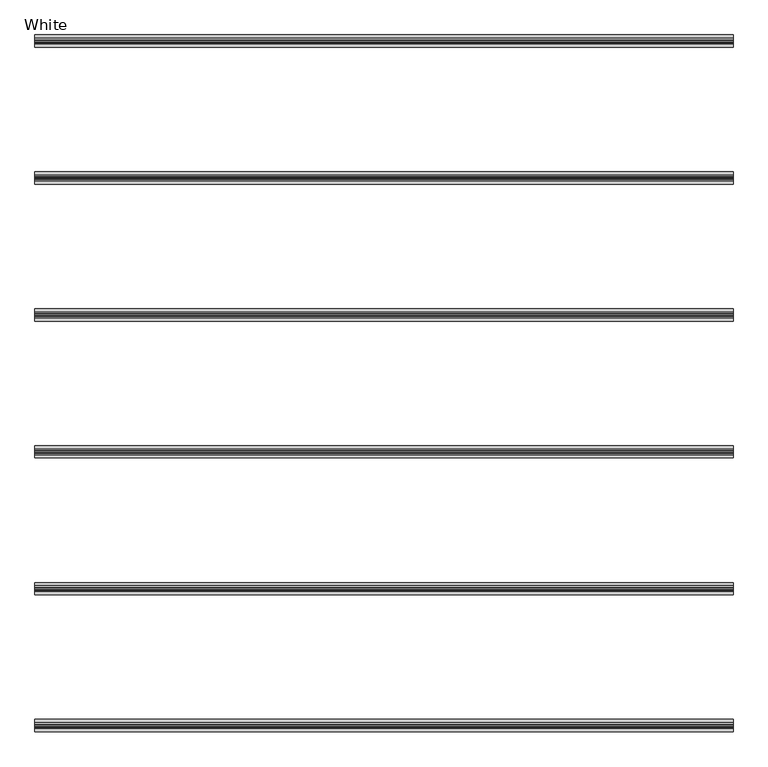
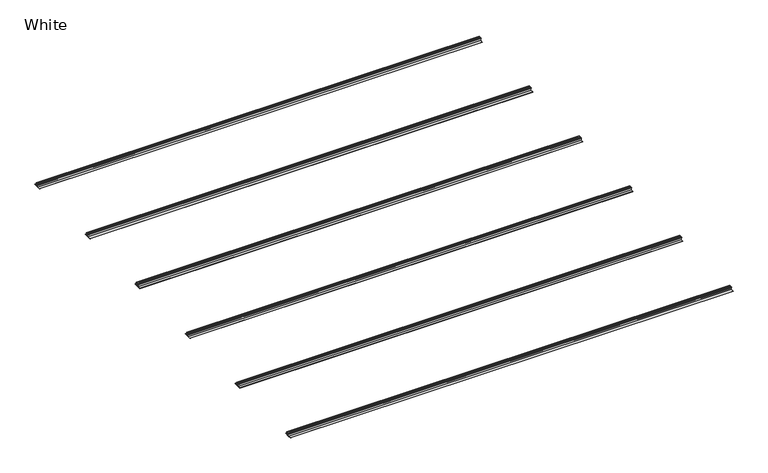
"""IFC4 building model written with IfcOpenShell, lengths in millimetres: proxy geometry, White."""

from ifc_helpers import new_model, si_unit, point, frame, frame_2d, origin, place, context, project, spatial, polyline, circle_curve, trimmed, segment, composite_curve, outline, extrude, source, transform, mapped, element, save


def white_f07cfdff(model_context):
    return source(origin(), model_context, "Body", "SweptSolid", [
        extrude(outline(composite_curve([segment(polyline([(1095.0, 0.0), (1050.0, 0.0), (1050.0, 1.0), (1066.5, 1.0), (1066.5, 16.0), (1062.5, 16.0), (1062.5, 17.0), (1067.0, 17.0)]), True, "CONTINUOUS"), segment(trimmed(circle_curve(frame_2d((1067.0, 15.0)), 2.0), [point((1067.0, 17.0))], [point((1069.0, 15.0))], False, "CARTESIAN"), True, "CONTINUOUS"), segment(polyline([(1069.0, 15.0), (1067.5, 15.0), (1067.5, 9.0), (1077.5, 9.0), (1077.5, 15.0), (1075.9750888, 15.0)]), True, "CONTINUOUS"), segment(trimmed(circle_curve(frame_2d((1077.9750888, 15.0)), 2.0), [point((1075.9750888, 15.0))], [point((1077.9750888, 17.0))], False, "CARTESIAN"), True, "CONTINUOUS"), segment(polyline([(1077.9750888, 17.0), (1082.5, 17.0), (1082.5, 16.0), (1078.5, 16.0), (1078.5, 1.0), (1095.0, 1.0), (1095.0, 0.0)]), True, "CONTINUOUS")], self_intersect=False), holes=[polyline([(1077.5, 8.0), (1067.5, 8.0), (1067.5, 1.0), (1077.5, 1.0), (1077.5, 8.0)])]), frame((-1275.0, 0.0, 0.0), z_axis=(1.0, 0.0, 0.0), x_axis=(0.0, 1.0, 0.0)), (0.0, 0.0, 1.0), 2550.0),
        extrude(outline(composite_curve([segment(polyline([(595.0, 0.0), (550.0, 0.0), (550.0, 1.0), (566.5, 1.0), (566.5, 16.0), (562.5, 16.0), (562.5, 17.0), (567.0, 17.0)]), True, "CONTINUOUS"), segment(trimmed(circle_curve(frame_2d((567.0, 15.0)), 2.0), [point((567.0, 17.0))], [point((569.0, 15.0))], False, "CARTESIAN"), True, "CONTINUOUS"), segment(polyline([(569.0, 15.0), (567.5, 15.0), (567.5, 9.0), (577.5, 9.0), (577.5, 15.0), (575.9750888, 15.0)]), True, "CONTINUOUS"), segment(trimmed(circle_curve(frame_2d((577.9750888, 15.0)), 2.0), [point((575.9750888, 15.0))], [point((577.9750888, 17.0))], False, "CARTESIAN"), True, "CONTINUOUS"), segment(polyline([(577.9750888, 17.0), (582.5, 17.0), (582.5, 16.0), (578.5, 16.0), (578.5, 1.0), (595.0, 1.0), (595.0, 0.0)]), True, "CONTINUOUS")], self_intersect=False), holes=[polyline([(577.5, 8.0), (567.5, 8.0), (567.5, 1.0), (577.5, 1.0), (577.5, 8.0)])]), frame((-1275.0, 0.0, 0.0), z_axis=(1.0, 0.0, 0.0), x_axis=(0.0, 1.0, 0.0)), (0.0, 0.0, 1.0), 2550.0),
        extrude(outline(composite_curve([segment(polyline([(95.0, 0.0), (50.0, 0.0), (50.0, 1.0), (66.5, 1.0), (66.5, 16.0), (62.5, 16.0), (62.5, 17.0), (67.0, 17.0)]), True, "CONTINUOUS"), segment(trimmed(circle_curve(frame_2d((67.0, 15.0)), 2.0), [point((67.0, 17.0))], [point((69.0, 15.0))], False, "CARTESIAN"), True, "CONTINUOUS"), segment(polyline([(69.0, 15.0), (67.5, 15.0), (67.5, 9.0), (77.5, 9.0), (77.5, 15.0), (75.9750888, 15.0)]), True, "CONTINUOUS"), segment(trimmed(circle_curve(frame_2d((77.9750888, 15.0)), 2.0), [point((75.9750888, 15.0))], [point((77.9750888, 17.0))], False, "CARTESIAN"), True, "CONTINUOUS"), segment(polyline([(77.9750888, 17.0), (82.5, 17.0), (82.5, 16.0), (78.5, 16.0), (78.5, 1.0), (95.0, 1.0), (95.0, 0.0)]), True, "CONTINUOUS")], self_intersect=False), holes=[polyline([(77.5, 8.0), (67.5, 8.0), (67.5, 1.0), (77.5, 1.0), (77.5, 8.0)])]), frame((-1275.0, 0.0, 0.0), z_axis=(1.0, 0.0, 0.0), x_axis=(0.0, 1.0, 0.0)), (0.0, 0.0, 1.0), 2550.0),
        extrude(outline(composite_curve([segment(polyline([(-405.0, 0.0), (-450.0, 0.0), (-450.0, 1.0), (-433.5, 1.0), (-433.5, 16.0), (-437.5, 16.0), (-437.5, 17.0), (-433.0, 17.0)]), True, "CONTINUOUS"), segment(trimmed(circle_curve(frame_2d((-433.0, 15.0)), 2.0), [point((-433.0, 17.0))], [point((-431.0, 15.0))], False, "CARTESIAN"), True, "CONTINUOUS"), segment(polyline([(-431.0, 15.0), (-432.5, 15.0), (-432.5, 9.0), (-422.5, 9.0), (-422.5, 15.0), (-424.0249112, 15.0)]), True, "CONTINUOUS"), segment(trimmed(circle_curve(frame_2d((-422.0249112, 15.0)), 2.0), [point((-424.0249112, 15.0))], [point((-422.0249112, 17.0))], False, "CARTESIAN"), True, "CONTINUOUS"), segment(polyline([(-422.0249112, 17.0), (-417.5, 17.0), (-417.5, 16.0), (-421.5, 16.0), (-421.5, 1.0), (-405.0, 1.0), (-405.0, 0.0)]), True, "CONTINUOUS")], self_intersect=False), holes=[polyline([(-422.5, 8.0), (-432.5, 8.0), (-432.5, 1.0), (-422.5, 1.0), (-422.5, 8.0)])]), frame((-1275.0, 0.0, 0.0), z_axis=(1.0, 0.0, 0.0), x_axis=(0.0, 1.0, 0.0)), (0.0, 0.0, 1.0), 2550.0),
        extrude(outline(composite_curve([segment(polyline([(-905.0, 0.0), (-950.0, 0.0), (-950.0, 1.0), (-933.5, 1.0), (-933.5, 16.0), (-937.5, 16.0), (-937.5, 17.0), (-933.0, 17.0)]), True, "CONTINUOUS"), segment(trimmed(circle_curve(frame_2d((-933.0, 15.0)), 2.0), [point((-933.0, 17.0))], [point((-931.0, 15.0))], False, "CARTESIAN"), True, "CONTINUOUS"), segment(polyline([(-931.0, 15.0), (-932.5, 15.0), (-932.5, 9.0), (-922.5, 9.0), (-922.5, 15.0), (-924.0249112, 15.0)]), True, "CONTINUOUS"), segment(trimmed(circle_curve(frame_2d((-922.0249112, 15.0)), 2.0), [point((-924.0249112, 15.0))], [point((-922.0249112, 17.0))], False, "CARTESIAN"), True, "CONTINUOUS"), segment(polyline([(-922.0249112, 17.0), (-917.5, 17.0), (-917.5, 16.0), (-921.5, 16.0), (-921.5, 1.0), (-905.0, 1.0), (-905.0, 0.0)]), True, "CONTINUOUS")], self_intersect=False), holes=[polyline([(-922.5, 8.0), (-932.5, 8.0), (-932.5, 1.0), (-922.5, 1.0), (-922.5, 8.0)])]), frame((-1275.0, 0.0, 0.0), z_axis=(1.0, 0.0, 0.0), x_axis=(0.0, 1.0, 0.0)), (0.0, 0.0, 1.0), 2550.0),
        extrude(outline(composite_curve([segment(polyline([(-1405.0, 0.0), (-1450.0, 0.0), (-1450.0, 1.0), (-1433.5, 1.0), (-1433.5, 16.0), (-1437.5, 16.0), (-1437.5, 17.0), (-1433.0, 17.0)]), True, "CONTINUOUS"), segment(trimmed(circle_curve(frame_2d((-1433.0, 15.0)), 2.0), [point((-1433.0, 17.0))], [point((-1431.0, 15.0))], False, "CARTESIAN"), True, "CONTINUOUS"), segment(polyline([(-1431.0, 15.0), (-1432.5, 15.0), (-1432.5, 9.0), (-1422.5, 9.0), (-1422.5, 15.0), (-1424.0249112, 15.0)]), True, "CONTINUOUS"), segment(trimmed(circle_curve(frame_2d((-1422.0249112, 15.0)), 2.0), [point((-1424.0249112, 15.0))], [point((-1422.0249112, 17.0))], False, "CARTESIAN"), True, "CONTINUOUS"), segment(polyline([(-1422.0249112, 17.0), (-1417.5, 17.0), (-1417.5, 16.0), (-1421.5, 16.0), (-1421.5, 1.0), (-1405.0, 1.0), (-1405.0, 0.0)]), True, "CONTINUOUS")], self_intersect=False), holes=[polyline([(-1422.5, 8.0), (-1432.5, 8.0), (-1432.5, 1.0), (-1422.5, 1.0), (-1422.5, 8.0)])]), frame((-1275.0, 0.0, 0.0), z_axis=(1.0, 0.0, 0.0), x_axis=(0.0, 1.0, 0.0)), (0.0, 0.0, 1.0), 2550.0),
    ])


if __name__ == "__main__":
    model = new_model("IFC4")
    model_context = context("Model", 3, world=origin())
    ifc_project = project(units=[si_unit("LENGTHUNIT", "METRE", prefix="MILLI")], contexts=[model_context])
    site = spatial("IfcSite", under=ifc_project)
    building = spatial("IfcBuilding", under=site)
    placement = place(None, origin())
    white_shape = white_f07cfdff(model_context)
    element("IfcBuildingElementProxy", 1, Name="White", ObjectType="White", at=placement, inside=building, context=model_context, shape_type="MappedRepresentation", body=[
        mapped(white_shape, transform((0.0, 0.0, 0.0), x_axis=(1.0, 0.0, 0.0), y_axis=(0.0, 1.0, 0.0), z_axis=(0.0, 0.0, 1.0))),
    ])
    save(model, "model.ifc")
